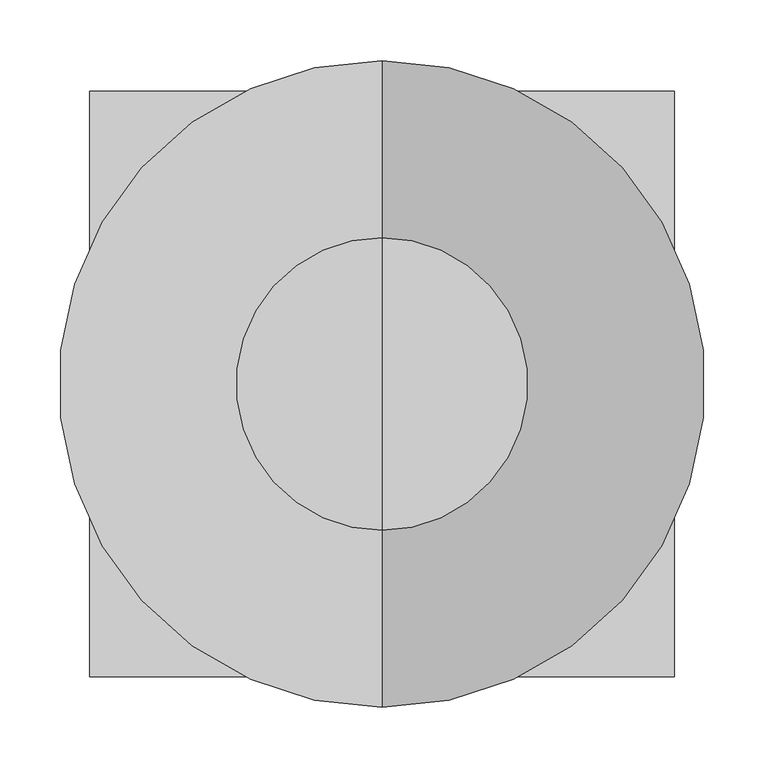
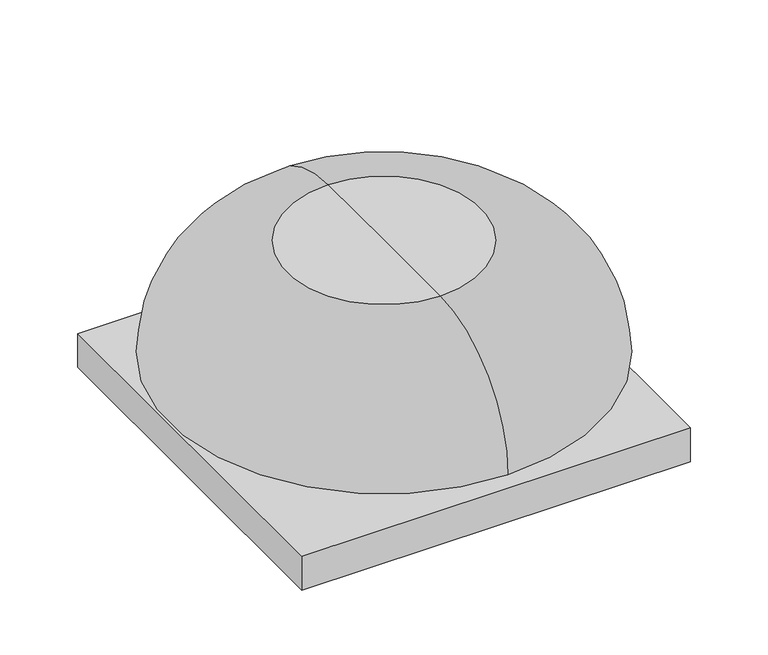
"""IFC4 building model written with IfcOpenShell, lengths in millimetres: proxy geometry."""

from ifc_helpers import new_model, si_unit, point, frame, frame_2d, origin, place, context, project, spatial, circle_curve, ellipse_curve, trimmed, segment, composite_curve, outline, extrude, faceted_brep, source, transform, mapped, element, save
from ifc_brep_helpers import plane_surface, revolved_surface, advanced_brep


def mechanical_equipment_6ddbb2fd(model_context):
    return source(origin(), model_context, "Body", "SolidModel", [
        faceted_brep([(189.5424473, 258.0765442, 304.8), (-293.0575527, 258.0765442, 304.8), (-293.0575527, -224.5234558, 304.8), (189.5424473, -224.5234558, 304.8), (189.5424473, 258.0765442, 260.35), (189.5424473, -224.5234558, 260.35), (-293.0575527, -224.5234558, 260.35), (-293.0575527, 258.0765442, 260.35), (186.3674473, -221.3484558, 260.35), (186.3674473, 254.9015442, 260.35), (-289.8825527, 254.9015442, 260.35), (-289.8825527, -221.3484558, 260.35), (186.3674473, 254.9015442, 301.625), (186.3674473, -221.3484558, 301.625), (-289.8825527, -221.3484558, 301.625), (-289.8825527, 254.9015442, 301.625)], [[[0, 1, 2, 3]], [[4, 5, 6, 7], [8, 9, 10, 11]], [[1, 0, 4, 7]], [[2, 1, 7, 6]], [[3, 2, 6, 5]], [[0, 3, 5, 4]], [[12, 13, 14, 15]], [[13, 12, 9, 8]], [[14, 13, 8, 11]], [[15, 14, 11, 10]], [[12, 15, 10, 9]]]),
        advanced_brep(
        [(-51.7575527, -249.9234558, 342.9), (-51.7575527, 283.4765442, 342.9), (-51.7575527, 16.7765442, 342.9), (-51.7575527, -103.8734558, 488.95), (-51.7575527, 137.4265442, 488.95), (-51.7575527, 16.7765442, 488.95)],
        [
            (0, 1, circle_curve(frame((-51.7575527, 16.7765442, 342.9), z_axis=(0.0, 0.0, -1.0), x_axis=(0.0, 1.0, 0.0)), 266.7)),
            (1, 2),
            (2, 0),
            (1, 0, circle_curve(frame((-51.7575527, 16.7765442, 342.9), z_axis=(0.0, 0.0, -1.0), x_axis=(0.0, 1.0, 0.0)), 266.7)),
            (3, 4, circle_curve(frame((-51.7575527, 16.7765442, 488.95), z_axis=(0.0, 0.0, -1.0), x_axis=(0.0, 1.0, 0.0)), 120.65)),
            (4, 1, circle_curve(frame((-51.7575527, 137.4265442, 342.9), z_axis=(-1.0, 0.0, 0.0), x_axis=(0.0, 1.0, 0.0)), 146.05)),
            (0, 3, circle_curve(frame((-51.7575527, -103.8734558, 342.9), z_axis=(-1.0, 0.0, 0.0), x_axis=(0.0, -1.0, 0.0)), 146.05)),
            (4, 3, circle_curve(frame((-51.7575527, 16.7765442, 488.95), z_axis=(0.0, 0.0, -1.0), x_axis=(0.0, 1.0, 0.0)), 120.65)),
            (5, 4),
            (3, 5),
        ],
        [
            plane_surface(frame((-51.7575527, 16.7765442, 342.9), z_axis=(0.0, 0.0, -1.0), x_axis=(0.0, 1.0, 0.0))),
            revolved_surface(trimmed(ellipse_curve(frame((-51.7575527, 137.4265442, 342.9), z_axis=(1.0, 0.0, 0.0), x_axis=(0.0, 1.0, 0.0)), 146.05, 146.05), [point((-51.7575527, 283.4765442, 342.9))], [point((-51.7575527, 137.4265442, 488.95))], True, "CARTESIAN"), (-51.7575527, 16.7765442, 488.95), (0.0, 0.0, 1.0)),
            plane_surface(frame((-51.7575527, 16.7765442, 488.95), z_axis=(0.0, 0.0, 1.0), x_axis=(0.0, 1.0, 0.0))),
        ],
        [
            (0, [[1, 2, 3]]),
            (0, [[4, -3, -2]]),
            (1, [[5, 6, -1, 7]]),
            (1, [[8, -7, -4, -6]]),
            (2, [[9, -5, 10]]),
            (2, [[-10, -8, -9]]),
        ],
    ),
        extrude(outline(composite_curve([segment(trimmed(circle_curve(frame_2d((-51.7575527, 16.7765442)), 114.3), [point((-166.0575527, 16.7765442))], [point((62.5424473, 16.7765442))], False, "CARTESIAN"), True, "CONTINUOUS"), segment(trimmed(circle_curve(frame_2d((-51.7575527, 16.7765442)), 114.3), [point((62.5424473, 16.7765442))], [point((-166.0575527, 16.7765442))], False, "CARTESIAN"), True, "CONTINUOUS")], self_intersect=False)), frame((0.0, 0.0, 304.8), z_axis=(0.0, 0.0, 1.0), x_axis=(1.0, 0.0, 0.0)), (0.0, 0.0, 1.0), 38.1),
    ])


if __name__ == "__main__":
    model = new_model("IFC4")
    model_context = context("Model", 3, world=origin())
    ifc_project = project(units=[si_unit("LENGTHUNIT", "METRE", prefix="MILLI")], contexts=[model_context])
    site = spatial("IfcSite", under=ifc_project)
    building = spatial("IfcBuilding", under=site)
    placement = place(None, origin())
    mechanical_equipment_shape = mechanical_equipment_6ddbb2fd(model_context)
    element("IfcBuildingElementProxy", 1, Name="Mechanical Equipment", at=placement, inside=building, context=model_context, shape_type="MappedRepresentation", body=[
        mapped(mechanical_equipment_shape, transform((0.0, 0.0, 0.0), x_axis=(1.0, 0.0, 0.0), y_axis=(0.0, 1.0, 0.0), z_axis=(0.0, 0.0, 1.0))),
    ])
    save(model, "model.ifc")
